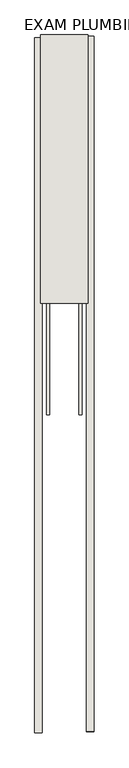
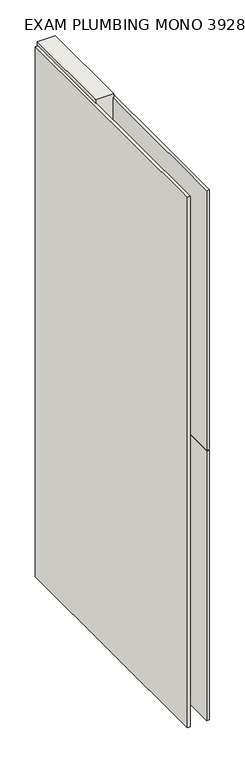
"""IFC4 building model written with IfcOpenShell, lengths in millimetres: wall geometry, EXAM PLUMBING MONO 392846 : EXAM PLUMBING MONO 392846."""

import ifcopenshell
import ifcopenshell.guid

model = None  # the IFC model being written
_history = None  # IfcOwnerHistory: only IFC2X3 demands one
_inside = {}  # id of a spatial element -> (the spatial element, [elements in it])
_under = {}  # id of a project, library or spatial element -> (it, [spatial elements below it])
_declared = {}  # id of a project -> (the project, [libraries it declares])
_typed = {}  # id of a type object -> (the type object, [elements of that type])
_made_of = {}  # id of a material, layer set ... -> (it, [elements and type objects made of it])


def new_model(schema):
    """Start an empty IFC model of exactly this schema.

    Asked for "IFC4X3", IfcOpenShell would pick the latest addendum, in which some entities
    have other attributes; the version numbers below select the first issue.
    IFC2X3 requires an IfcOwnerHistory on every rooted entity: one is made here for all.
    """
    global model, _history
    if schema == "IFC4X3":
        model = ifcopenshell.file(schema_version=(4, 3, 0, 0))
    else:
        model = ifcopenshell.file(schema=schema)
    _inside.clear()
    _under.clear()
    _declared.clear()
    _typed.clear()
    _made_of.clear()
    _history = None
    if model.schema == "IFC2X3":
        org = make("IfcOrganization", Name="unknown")
        user = make(
            "IfcPersonAndOrganization",
            ThePerson=make("IfcPerson", FamilyName="unknown"),
            TheOrganization=org,
        )
        app = make(
            "IfcApplication",
            ApplicationDeveloper=org,
            Version="unknown",
            ApplicationFullName="unknown",
            ApplicationIdentifier="unknown",
        )
        _history = make(
            "IfcOwnerHistory",
            OwningUser=user,
            OwningApplication=app,
            ChangeAction="ADDED",
            CreationDate=0,
        )
    return model


def make(cls, **values):
    """One entity of the class cls with the attributes given. An attribute that is None is left unset."""
    return model.create_entity(
        cls, **{name: value for name, value in values.items() if value is not None}
    )


def rooted(cls, **values):
    """An entity with a GlobalId (a new one), such as an element, a storey or a relation."""
    return make(cls, GlobalId=ifcopenshell.guid.new(), OwnerHistory=_history, **values)


def si_unit(unit_type, name, prefix=None):
    """IfcSIUnit, for example si_unit("LENGTHUNIT", "METRE", prefix="MILLI")."""
    return make("IfcSIUnit", UnitType=unit_type, Prefix=prefix, Name=name)


def assignment(units):
    """IfcUnitAssignment: the units of a project."""
    return None if units is None else make("IfcUnitAssignment", Units=units)


def point(xyz):
    """IfcCartesianPoint."""
    return None if xyz is None else make("IfcCartesianPoint", Coordinates=xyz)


def direction(xyz):
    """IfcDirection."""
    return None if xyz is None else make("IfcDirection", DirectionRatios=xyz)


def frame(location, z_axis=None, x_axis=None):
    """IfcAxis2Placement3D, a coordinate frame: its origin and axes. An axis left out is left unset."""
    return make(
        "IfcAxis2Placement3D",
        Location=point(location),
        Axis=direction(z_axis),
        RefDirection=direction(x_axis),
    )


def origin():
    """The frame at (0, 0, 0) with its axes left unset."""
    return frame((0.0, 0.0, 0.0))


def place(relative_to, where):
    """IfcLocalPlacement: puts the frame where relative to a parent placement (None: the world)."""
    return make(
        "IfcLocalPlacement", PlacementRelTo=relative_to, RelativePlacement=where
    )


def context(
    kind, dimensions, precision=None, world=None, true_north=None, identifier=None
):
    """IfcGeometricRepresentationContext, for example the 3D "Model" context."""
    return make(
        "IfcGeometricRepresentationContext",
        ContextIdentifier=identifier,
        ContextType=kind,
        CoordinateSpaceDimension=dimensions,
        Precision=precision,
        WorldCoordinateSystem=world,
        TrueNorth=true_north,
    )


def project(units=None, contexts=None):
    """IfcProject with its units and contexts."""
    return rooted(
        "IfcProject",
        Name="project",
        RepresentationContexts=contexts,
        UnitsInContext=assignment(units),
    )


def spatial(cls, under=None, at=None, **own):
    """A site, building, storey or space (cls), placed at a placement, below another one or the project."""
    s = rooted(cls, ObjectPlacement=at, **own)
    if under is not None:
        _under.setdefault(under.id(), (under, []))[1].append(s)
    return s


def polyline(points):
    """IfcPolyline through the points."""
    return make("IfcPolyline", Points=[point(p) for p in points])


def outline(outer, holes=None, kind="AREA"):
    """IfcArbitraryClosedProfileDef: a profile drawn as a closed curve; with holes, ...WithVoids."""
    if holes is None:
        return make("IfcArbitraryClosedProfileDef", ProfileType=kind, OuterCurve=outer)
    return make(
        "IfcArbitraryProfileDefWithVoids",
        ProfileType=kind,
        OuterCurve=outer,
        InnerCurves=holes,
    )


def extrude(swept, where, along, depth):
    """IfcExtrudedAreaSolid: the profile swept, set in the frame where, extruded along a direction by depth."""
    return make(
        "IfcExtrudedAreaSolid",
        SweptArea=swept,
        Position=where,
        ExtrudedDirection=direction(along),
        Depth=depth,
    )


def shape(context_of_items, identifier, shape_type, items):
    """IfcShapeRepresentation: the items that make up one representation, for example the "Body"."""
    return make(
        "IfcShapeRepresentation",
        ContextOfItems=context_of_items,
        RepresentationIdentifier=identifier,
        RepresentationType=shape_type,
        Items=items,
    )


def source(mapping_origin, context_of_items, identifier, shape_type, items):
    """IfcRepresentationMap: a shape defined once, which mapped items show again and again."""
    return make(
        "IfcRepresentationMap",
        MappingOrigin=mapping_origin,
        MappedRepresentation=shape(context_of_items, identifier, shape_type, items),
    )


def transform(
    local_origin,
    x_axis=None,
    y_axis=None,
    z_axis=None,
    scale=None,
    scale2=None,
    scale3=None,
    uniform=True,
):
    """IfcCartesianTransformationOperator3D, or its non-uniform kind. x_axis, y_axis, z_axis: its Axis1, 2, 3."""
    if uniform:
        return make(
            "IfcCartesianTransformationOperator3D",
            Axis1=direction(x_axis),
            Axis2=direction(y_axis),
            LocalOrigin=point(local_origin),
            Scale=scale,
            Axis3=direction(z_axis),
        )
    return make(
        "IfcCartesianTransformationOperator3DnonUniform",
        Axis1=direction(x_axis),
        Axis2=direction(y_axis),
        LocalOrigin=point(local_origin),
        Scale=scale,
        Axis3=direction(z_axis),
        Scale2=scale2,
        Scale3=scale3,
    )


def mapped(mapping_source, mapping_target):
    """IfcMappedItem: shows the shape of a source again, moved by a transform."""
    return make(
        "IfcMappedItem", MappingSource=mapping_source, MappingTarget=mapping_target
    )


def made_of(thing, what):
    """Note that an element or type object is made of a material, layer set ...; save() writes the relation."""
    if what is not None:
        _made_of.setdefault(what.id(), (what, []))[1].append(thing)
    return thing


def element(
    cls,
    number,
    at=None,
    inside=None,
    cuts=None,
    type_object=None,
    material=None,
    context=None,
    identifier="Body",
    shape_type=None,
    held_by="IfcProductDefinitionShape",
    body=None,
    shapes=None,
    **own,
):
    """One element of the class cls, such as IfcWall. Its Tag is "e" and its number.

    at: its placement. inside: the storey or other place that contains it. cuts: it is an
    opening in that element (IfcRelVoidsElement). A single representation is given by context,
    identifier, shape_type and body (its items); several are given by shapes. held_by: the class
    of the entity that holds the representations. save() writes the other relations.
    """
    e = rooted(cls, Tag="e%d" % number, ObjectPlacement=at, **own)
    if body is not None:
        shapes = [shape(context, identifier, shape_type, body)]
    if shapes is not None:
        e.Representation = make(held_by, Representations=shapes)
    if inside is not None:
        _inside.setdefault(inside.id(), (inside, []))[1].append(e)
    if cuts is not None:
        rooted(
            "IfcRelVoidsElement", RelatingBuildingElement=cuts, RelatedOpeningElement=e
        )
    if type_object is not None:
        _typed.setdefault(type_object.id(), (type_object, []))[1].append(e)
    return made_of(e, material)


def aggregate(whole, parts):
    """IfcRelAggregates: a whole, such as a stair, and the parts it consists of."""
    return rooted("IfcRelAggregates", RelatingObject=whole, RelatedObjects=parts)


def save(model, path):
    """Write the relations noted so far, then the file.

    IfcRelAggregates (storeys below a building ...), IfcRelContainedInSpatialStructure (elements
    in a storey), IfcRelDefinesByType, IfcRelAssociatesMaterial and IfcRelDeclares: one each for
    every whole, place, type object, material and project.
    """
    for whole, parts in _under.values():
        aggregate(whole, parts)
    for where, things in _inside.values():
        rooted(
            "IfcRelContainedInSpatialStructure",
            RelatedElements=things,
            RelatingStructure=where,
        )
    for kind, things in _typed.values():
        rooted("IfcRelDefinesByType", RelatedObjects=things, RelatingType=kind)
    for what, things in _made_of.values():
        rooted("IfcRelAssociatesMaterial", RelatedObjects=things, RelatingMaterial=what)
    for by, libraries in _declared.values():
        rooted("IfcRelDeclares", RelatingContext=by, RelatedDefinitions=libraries)
    model.write(path)


def exam_plumbing_mono_392846_exam_plumbing_mono_392846_07e25777(model_context):
    return source(origin(), model_context, "Body", "SweptSolid", [
        extrude(outline(polyline([(78033.282211, -43255.3516908), (78033.282211, -43257.8916908), (78030.742211, -43257.8916908), (78030.742211, -43255.3516908), (78033.282211, -43255.3516908)])), frame((0.0, 0.0, 4419.6), z_axis=(0.0, 0.0, 1.0), x_axis=(1.0, 0.0, 0.0)), (0.0, 0.0, 1.0), 2.54),
        extrude(outline(polyline([(77981.212211, -44453.3164272), (77981.212211, -43259.8165028), (77993.912211, -43259.8165028), (77993.912211, -44453.3164272), (77981.212211, -44453.3164272)])), frame((0.0, 0.0, 4445.0), z_axis=(0.0, 0.0, 1.0), x_axis=(1.0, 0.0, 0.0)), (0.0, 0.0, 1.0), 2545.0498756),
        extrude(outline(polyline([(78082.812211, -43257.3515344), (78082.812211, -44450.8514588), (78070.112211, -44450.8514588), (78070.112211, -43257.3515344), (78082.812211, -43257.3515344)])), frame((0.0, 0.0, 4445.0), z_axis=(0.0, 0.0, 1.0), x_axis=(1.0, 0.0, 0.0)), (0.0, 0.0, 1.0), 1293.400004),
        extrude(outline(polyline([(78082.812211, -43257.3515344), (78082.812211, -44450.8514588), (78070.112211, -44450.8514588), (78070.112211, -43257.3515344), (78082.812211, -43257.3515344)])), frame((0.0, 0.0, 5742.399869), z_axis=(0.0, 0.0, 1.0), x_axis=(1.0, 0.0, 0.0)), (0.0, 0.0, 1.0), 1247.649905),
        extrude(outline(polyline([(78006.9284664, -43255.3628414), (78006.9284664, -43906.7463494), (78001.849711, -43906.7463494), (78001.849711, -43255.3628414), (78006.9284664, -43255.3628414)])), frame((0.0, 0.0, 4418.6602), z_axis=(0.0, 0.0, 1.0), x_axis=(1.0, 0.0, 0.0)), (0.0, 0.0, 1.0), 47.625),
        extrude(outline(polyline([(78006.9284664, -43255.3628414), (78006.9284664, -43906.7463494), (78001.849711, -43906.7463494), (78001.849711, -43255.3628414), (78006.9284664, -43255.3628414)])), frame((0.0, 0.0, 4418.6602), z_axis=(0.0, 0.0, 1.0), x_axis=(1.0, 0.0, 0.0)), (0.0, 0.0, 1.0), 47.625),
        extrude(outline(polyline([(78057.0959556, -43906.7463494), (78057.0959556, -43255.3628414), (78062.174711, -43255.3628414), (78062.174711, -43906.7463494), (78057.0959556, -43906.7463494)])), frame((0.0, 0.0, 4418.6602), z_axis=(0.0, 0.0, 1.0), x_axis=(1.0, 0.0, 0.0)), (0.0, 0.0, 1.0), 47.625),
        extrude(outline(polyline([(78057.0959556, -43906.7463494), (78057.0959556, -43255.3628414), (78062.174711, -43255.3628414), (78062.174711, -43906.7463494), (78057.0959556, -43906.7463494)])), frame((0.0, 0.0, 4418.6602), z_axis=(0.0, 0.0, 1.0), x_axis=(1.0, 0.0, 0.0)), (0.0, 0.0, 1.0), 47.625),
        extrude(outline(polyline([(77991.3573266, -43255.3628414), (78072.6670954, -43255.3628414), (78072.6670954, -43716.2463494), (77991.3573266, -43716.2463494), (77991.3573266, -43255.3628414)])), frame((0.0, 0.0, 4445.0), z_axis=(0.0, 0.0, 1.0), x_axis=(1.0, 0.0, 0.0)), (0.0, 0.0, 1.0), 2562.4536762),
    ])


if __name__ == "__main__":
    model = new_model("IFC4")
    model_context = context("Model", 3, world=origin())
    ifc_project = project(units=[si_unit("LENGTHUNIT", "METRE", prefix="MILLI")], contexts=[model_context])
    site = spatial("IfcSite", under=ifc_project)
    building = spatial("IfcBuilding", under=site)
    placement = place(None, origin())
    exam_plumbing_mono_392846_exam_plumbing_mono_392846_shape = exam_plumbing_mono_392846_exam_plumbing_mono_392846_07e25777(model_context)
    element("IfcWall", 1, ObjectType="EXAM PLUMBING MONO 392846 : EXAM PLUMBING MONO 392846", at=placement, inside=building, context=model_context, shape_type="MappedRepresentation", body=[
        mapped(exam_plumbing_mono_392846_exam_plumbing_mono_392846_shape, transform((0.0, 0.0, 0.0), x_axis=(1.0, 0.0, 0.0), y_axis=(0.0, 1.0, 0.0), z_axis=(0.0, 0.0, 1.0))),
    ])
    save(model, "model.ifc")
